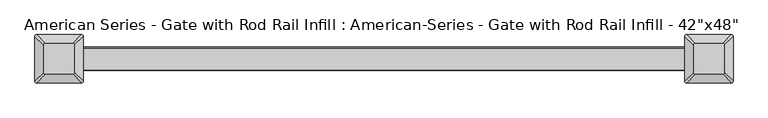
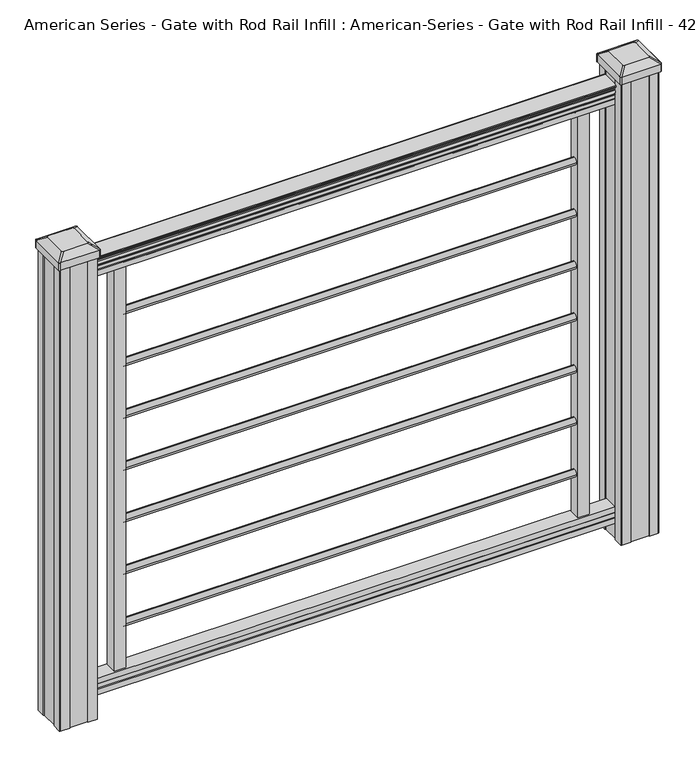
"""IFC4 building model written with IfcOpenShell, lengths in millimetres: proxy geometry."""

from ifc_helpers import new_model, si_unit, point, frame, frame_2d, origin, place, context, project, spatial, polyline, circle_curve, trimmed, segment, composite_curve, outline, extrude, source, transform, mapped, element, save
from ifc_brep_helpers import plane_surface, extruded_surface, advanced_brep


def proxy_a262df37(model_context):
    return source(origin(), model_context, "Body", "SolidModel", [
        extrude(outline(composite_curve([segment(trimmed(circle_curve(frame_2d((0.0, 1033.6488781)), 8.001), [point((8.001, 1033.6488781))], [point((0.0, 1025.6478781))], False, "CARTESIAN"), True, "CONTINUOUS"), segment(trimmed(circle_curve(frame_2d((0.0, 1033.6488781)), 8.001), [point((0.0, 1025.6478781))], [point((-8.001, 1033.6488781))], False, "CARTESIAN"), True, "CONTINUOUS"), segment(trimmed(circle_curve(frame_2d((0.0, 1033.6488781)), 8.001), [point((-8.001, 1033.6488781))], [point((0.0, 1041.6498781))], False, "CARTESIAN"), True, "CONTINUOUS"), segment(trimmed(circle_curve(frame_2d((0.0, 1033.6488781)), 8.001), [point((0.0, 1041.6498781))], [point((8.001, 1033.6488781))], False, "CARTESIAN"), True, "CONTINUOUS")], self_intersect=False)), frame((-490.728, 0.0, 0.0), z_axis=(1.0, 0.0, 0.0), x_axis=(0.0, 1.0, 0.0)), (0.0, 0.0, 1.0), 981.456),
        extrude(outline(composite_curve([segment(trimmed(circle_curve(frame_2d((0.0, 914.2688781)), 8.001), [point((8.001, 914.2688781))], [point((0.0, 906.2678781))], False, "CARTESIAN"), True, "CONTINUOUS"), segment(trimmed(circle_curve(frame_2d((0.0, 914.2688781)), 8.001), [point((0.0, 906.2678781))], [point((-8.001, 914.2688781))], False, "CARTESIAN"), True, "CONTINUOUS"), segment(trimmed(circle_curve(frame_2d((0.0, 914.2688781)), 8.001), [point((-8.001, 914.2688781))], [point((0.0, 922.2698781))], False, "CARTESIAN"), True, "CONTINUOUS"), segment(trimmed(circle_curve(frame_2d((0.0, 914.2688781)), 8.001), [point((0.0, 922.2698781))], [point((8.001, 914.2688781))], False, "CARTESIAN"), True, "CONTINUOUS")], self_intersect=False)), frame((-490.728, 0.0, 0.0), z_axis=(1.0, 0.0, 0.0), x_axis=(0.0, 1.0, 0.0)), (0.0, 0.0, 1.0), 981.456),
        extrude(outline(composite_curve([segment(trimmed(circle_curve(frame_2d((0.0, 794.8888781)), 8.001), [point((8.001, 794.8888781))], [point((0.0, 786.8878781))], False, "CARTESIAN"), True, "CONTINUOUS"), segment(trimmed(circle_curve(frame_2d((0.0, 794.8888781)), 8.001), [point((0.0, 786.8878781))], [point((-8.001, 794.8888781))], False, "CARTESIAN"), True, "CONTINUOUS"), segment(trimmed(circle_curve(frame_2d((0.0, 794.8888781)), 8.001), [point((-8.001, 794.8888781))], [point((0.0, 802.8898781))], False, "CARTESIAN"), True, "CONTINUOUS"), segment(trimmed(circle_curve(frame_2d((0.0, 794.8888781)), 8.001), [point((0.0, 802.8898781))], [point((8.001, 794.8888781))], False, "CARTESIAN"), True, "CONTINUOUS")], self_intersect=False)), frame((-490.728, 0.0, 0.0), z_axis=(1.0, 0.0, 0.0), x_axis=(0.0, 1.0, 0.0)), (0.0, 0.0, 1.0), 981.456),
        extrude(outline(composite_curve([segment(trimmed(circle_curve(frame_2d((0.0, 675.5088781)), 8.001), [point((8.001, 675.5088781))], [point((0.0, 667.5078781))], False, "CARTESIAN"), True, "CONTINUOUS"), segment(trimmed(circle_curve(frame_2d((0.0, 675.5088781)), 8.001), [point((0.0, 667.5078781))], [point((-8.001, 675.5088781))], False, "CARTESIAN"), True, "CONTINUOUS"), segment(trimmed(circle_curve(frame_2d((0.0, 675.5088781)), 8.001), [point((-8.001, 675.5088781))], [point((0.0, 683.5098781))], False, "CARTESIAN"), True, "CONTINUOUS"), segment(trimmed(circle_curve(frame_2d((0.0, 675.5088781)), 8.001), [point((0.0, 683.5098781))], [point((8.001, 675.5088781))], False, "CARTESIAN"), True, "CONTINUOUS")], self_intersect=False)), frame((-490.728, 0.0, 0.0), z_axis=(1.0, 0.0, 0.0), x_axis=(0.0, 1.0, 0.0)), (0.0, 0.0, 1.0), 981.456),
        extrude(outline(composite_curve([segment(trimmed(circle_curve(frame_2d((0.0, 556.1288781)), 8.001), [point((8.001, 556.1288781))], [point((0.0, 548.1278781))], False, "CARTESIAN"), True, "CONTINUOUS"), segment(trimmed(circle_curve(frame_2d((0.0, 556.1288781)), 8.001), [point((0.0, 548.1278781))], [point((-8.001, 556.1288781))], False, "CARTESIAN"), True, "CONTINUOUS"), segment(trimmed(circle_curve(frame_2d((0.0, 556.1288781)), 8.001), [point((-8.001, 556.1288781))], [point((0.0, 564.1298781))], False, "CARTESIAN"), True, "CONTINUOUS"), segment(trimmed(circle_curve(frame_2d((0.0, 556.1288781)), 8.001), [point((0.0, 564.1298781))], [point((8.001, 556.1288781))], False, "CARTESIAN"), True, "CONTINUOUS")], self_intersect=False)), frame((-490.728, 0.0, 0.0), z_axis=(1.0, 0.0, 0.0), x_axis=(0.0, 1.0, 0.0)), (0.0, 0.0, 1.0), 981.456),
        extrude(outline(composite_curve([segment(trimmed(circle_curve(frame_2d((0.0, 436.7488781)), 8.001), [point((8.001, 436.7488781))], [point((0.0, 428.7478781))], False, "CARTESIAN"), True, "CONTINUOUS"), segment(trimmed(circle_curve(frame_2d((0.0, 436.7488781)), 8.001), [point((0.0, 428.7478781))], [point((-8.001, 436.7488781))], False, "CARTESIAN"), True, "CONTINUOUS"), segment(trimmed(circle_curve(frame_2d((0.0, 436.7488781)), 8.001), [point((-8.001, 436.7488781))], [point((0.0, 444.7498781))], False, "CARTESIAN"), True, "CONTINUOUS"), segment(trimmed(circle_curve(frame_2d((0.0, 436.7488781)), 8.001), [point((0.0, 444.7498781))], [point((8.001, 436.7488781))], False, "CARTESIAN"), True, "CONTINUOUS")], self_intersect=False)), frame((-490.728, 0.0, 0.0), z_axis=(1.0, 0.0, 0.0), x_axis=(0.0, 1.0, 0.0)), (0.0, 0.0, 1.0), 981.456),
        extrude(outline(composite_curve([segment(trimmed(circle_curve(frame_2d((0.0, 317.3688781)), 8.001), [point((8.001, 317.3688781))], [point((0.0, 309.3678781))], False, "CARTESIAN"), True, "CONTINUOUS"), segment(trimmed(circle_curve(frame_2d((0.0, 317.3688781)), 8.001), [point((0.0, 309.3678781))], [point((-8.001, 317.3688781))], False, "CARTESIAN"), True, "CONTINUOUS"), segment(trimmed(circle_curve(frame_2d((0.0, 317.3688781)), 8.001), [point((-8.001, 317.3688781))], [point((0.0, 325.3698781))], False, "CARTESIAN"), True, "CONTINUOUS"), segment(trimmed(circle_curve(frame_2d((0.0, 317.3688781)), 8.001), [point((0.0, 325.3698781))], [point((8.001, 317.3688781))], False, "CARTESIAN"), True, "CONTINUOUS")], self_intersect=False)), frame((-490.728, 0.0, 0.0), z_axis=(1.0, 0.0, 0.0), x_axis=(0.0, 1.0, 0.0)), (0.0, 0.0, 1.0), 981.456),
        extrude(outline(polyline([(-15.9124869, 76.0541976), (-14.8964869, 77.3546183), (-14.8964869, 87.7141717), (-15.9124869, 89.0624492), (-15.9124869, 101.5958781), (15.8375131, 101.5958781), (15.8375131, 89.0458024), (14.8215131, 87.6975248), (14.8215131, 77.3858283), (15.8375131, 76.0375508), (15.8375131, 63.5), (-15.9124869, 63.5), (-15.9124869, 76.0541976)])), frame((-569.976, 0.0, 0.0), z_axis=(1.0, 0.0, 0.0), x_axis=(0.0, 1.0, 0.0)), (0.0, 0.0, 1.0), 1139.952),
        extrude(outline(composite_curve([segment(polyline([(1049.782, 17.4328287), (1051.6700823, 17.4328287)]), True, "CONTINUOUS"), segment(trimmed(circle_curve(frame_2d((1057.4283086, 11.1180755)), 8.545951), [point((1051.6700823, 17.4328287))], [point((1053.2323398, 18.563015))], False, "CARTESIAN"), True, "CONTINUOUS"), segment(trimmed(circle_curve(frame_2d((1056.841328, 11.5551384)), 7.882584), [point((1053.2323398, 18.563015))], [point((1060.4503161, 18.563015))], False, "CARTESIAN"), True, "CONTINUOUS"), segment(trimmed(circle_curve(frame_2d((1062.688923, 22.0684625)), 4.1592695), [point((1060.4503161, 18.563015))], [point((1062.8837515, 17.9137586))], True, "CARTESIAN"), True, "CONTINUOUS"), segment(trimmed(circle_curve(frame_2d((1062.6285567, 23.3557691)), 5.4479907), [point((1062.8837515, 17.9137586))], [point((1067.2138786, 20.4137586))], True, "CARTESIAN"), True, "CONTINUOUS"), segment(trimmed(circle_curve(frame_2d((1067.2110653, 22.1226107)), 1.7088543), [point((1067.2138786, 20.4137586))], [point((1068.8934675, 21.8231011))], True, "CARTESIAN"), True, "CONTINUOUS"), segment(trimmed(circle_curve(frame_2d((1069.9982021, 20.5057106)), 1.7192895), [point((1068.8934675, 21.8231011))], [point((1069.9982021, 22.2250001))], False, "CARTESIAN"), True, "CONTINUOUS"), segment(polyline([(1069.9982021, 22.2250001), (1071.3384861, 22.225)]), True, "CONTINUOUS"), segment(trimmed(circle_curve(frame_2d((1071.3384861, 20.6715528)), 1.5534472), [point((1071.3384861, 22.225))], [point((1072.8919333, 20.6715528))], False, "CARTESIAN"), True, "CONTINUOUS"), segment(polyline([(1072.8919333, 20.6715528), (1072.8919333, -20.6715528)]), True, "CONTINUOUS"), segment(trimmed(circle_curve(frame_2d((1071.3384861, -20.6715528)), 1.5534472), [point((1072.8919333, -20.6715528))], [point((1071.3384861, -22.225))], False, "CARTESIAN"), True, "CONTINUOUS"), segment(polyline([(1071.3384861, -22.225), (1069.9982021, -22.225)]), True, "CONTINUOUS"), segment(trimmed(circle_curve(frame_2d((1069.9982021, -20.5057106)), 1.7192895), [point((1069.9982021, -22.225))], [point((1068.8934675, -21.8231011))], False, "CARTESIAN"), True, "CONTINUOUS"), segment(trimmed(circle_curve(frame_2d((1067.2110653, -22.1226107)), 1.7088543), [point((1068.8934675, -21.8231011))], [point((1067.2138786, -20.4137586))], True, "CARTESIAN"), True, "CONTINUOUS"), segment(trimmed(circle_curve(frame_2d((1062.6285567, -23.3557691)), 5.4479907), [point((1067.2138786, -20.4137586))], [point((1062.8837515, -17.9137586))], True, "CARTESIAN"), True, "CONTINUOUS"), segment(trimmed(circle_curve(frame_2d((1062.688923, -22.0684625)), 4.1592695), [point((1062.8837515, -17.9137586))], [point((1060.4503161, -18.563015))], True, "CARTESIAN"), True, "CONTINUOUS"), segment(trimmed(circle_curve(frame_2d((1056.841328, -11.5551384)), 7.882584), [point((1060.4503161, -18.563015))], [point((1053.2323398, -18.563015))], False, "CARTESIAN"), True, "CONTINUOUS"), segment(trimmed(circle_curve(frame_2d((1057.4283086, -11.1180755)), 8.545951), [point((1053.2323398, -18.563015))], [point((1051.6700823, -17.4328287))], False, "CARTESIAN"), True, "CONTINUOUS"), segment(polyline([(1051.6700823, -17.4328287), (1049.782, -17.4328287)]), True, "CONTINUOUS"), segment(trimmed(circle_curve(frame_2d((1049.782, -16.1459144)), 1.2869144), [point((1049.782, -17.4328287))], [point((1049.782, -14.859))], False, "CARTESIAN"), True, "CONTINUOUS"), segment(polyline([(1049.782, -14.859), (1039.2824987, -14.859), (1038.2664987, -15.875), (1025.7776703, -15.875), (1025.7776703, 15.875), (1038.1086833, 15.875), (1039.1246833, 14.859), (1049.782, 14.859)]), True, "CONTINUOUS"), segment(trimmed(circle_curve(frame_2d((1049.782, 16.1459144)), 1.2869144), [point((1049.782, 14.859))], [point((1049.782, 17.4328287))], False, "CARTESIAN"), True, "CONTINUOUS")], self_intersect=False)), frame((569.976, 0.0, 0.0), z_axis=(-1.0, 0.0, 0.0), x_axis=(0.0, 0.0, 1.0)), (0.0, 0.0, 1.0), 1139.952),
        extrude(outline(composite_curve([segment(trimmed(circle_curve(frame_2d((0.0, 197.9888781)), 8.001), [point((8.001, 197.9888781))], [point((0.0, 189.9878781))], False, "CARTESIAN"), True, "CONTINUOUS"), segment(trimmed(circle_curve(frame_2d((0.0, 197.9888781)), 8.001), [point((0.0, 189.9878781))], [point((-8.001, 197.9888781))], False, "CARTESIAN"), True, "CONTINUOUS"), segment(trimmed(circle_curve(frame_2d((0.0, 197.9888781)), 8.001), [point((-8.001, 197.9888781))], [point((0.0, 205.9898781))], False, "CARTESIAN"), True, "CONTINUOUS"), segment(trimmed(circle_curve(frame_2d((0.0, 197.9888781)), 8.001), [point((0.0, 205.9898781))], [point((8.001, 197.9888781))], False, "CARTESIAN"), True, "CONTINUOUS")], self_intersect=False)), frame((-490.728, 0.0, 0.0), z_axis=(1.0, 0.0, 0.0), x_axis=(0.0, 1.0, 0.0)), (0.0, 0.0, 1.0), 981.456),
        advanced_brep(
        [(583.803125, 28.971875, 1118.235), (580.628125, 25.796875, 1118.235), (580.628125, -25.796875, 1118.235), (583.803125, -28.971875, 1118.235), (635.396875, -28.971875, 1118.235), (638.571875, -25.796875, 1118.235), (638.571875, 25.796875, 1118.235), (635.396875, 28.971875, 1118.235), (567.53125, 45.24375, 1106.932), (651.66875, 45.24375, 1106.932), (654.84375, 42.06875, 1106.932), (654.84375, -42.06875, 1106.932), (651.66875, -45.24375, 1106.932), (567.53125, -45.24375, 1106.932), (564.35625, -42.06875, 1106.932), (564.35625, 42.06875, 1106.932)],
        [
            (0, 1, circle_curve(frame((583.803125, 25.796875, 1118.235), z_axis=(0.0, 0.0, 1.0), x_axis=(0.0, -1.0, 0.0)), 3.175)),
            (1, 2),
            (2, 3, circle_curve(frame((583.803125, -25.796875, 1118.235), z_axis=(0.0, 0.0, 1.0), x_axis=(0.0, -1.0, 0.0)), 3.175)),
            (3, 4),
            (4, 5, circle_curve(frame((635.396875, -25.796875, 1118.235), z_axis=(0.0, 0.0, 1.0), x_axis=(0.0, -1.0, 0.0)), 3.175)),
            (5, 6),
            (6, 7, circle_curve(frame((635.396875, 25.796875, 1118.235), z_axis=(0.0, 0.0, 1.0), x_axis=(0.0, -1.0, 0.0)), 3.175)),
            (7, 0),
            (8, 9),
            (9, 10, circle_curve(frame((651.66875, 42.06875, 1106.932), z_axis=(0.0, 0.0, -1.0), x_axis=(0.0, -1.0, 0.0)), 3.175)),
            (10, 11),
            (11, 12, circle_curve(frame((651.66875, -42.06875, 1106.932), z_axis=(0.0, 0.0, -1.0), x_axis=(0.0, -1.0, 0.0)), 3.175)),
            (12, 13),
            (13, 14, circle_curve(frame((567.53125, -42.06875, 1106.932), z_axis=(0.0, 0.0, -1.0), x_axis=(0.0, -1.0, 0.0)), 3.175)),
            (14, 15),
            (15, 8, circle_curve(frame((567.53125, 42.06875, 1106.932), z_axis=(0.0, 0.0, -1.0), x_axis=(0.0, -1.0, 0.0)), 3.175)),
            (15, 1),
            (0, 8),
            (14, 2),
            (13, 3),
            (12, 4),
            (11, 5),
            (10, 6),
            (9, 7),
        ],
        [
            plane_surface(frame((609.6, 0.0, 1118.235), z_axis=(0.0, 0.0, 1.0), x_axis=(-1.0, 0.0, 0.0))),
            plane_surface(frame((609.6, 0.0, 1106.932), z_axis=(0.0, 0.0, -1.0), x_axis=(-1.0, 0.0, 0.0))),
            extruded_surface(trimmed(circle_curve(frame((567.53125, 42.06875, 1106.932), z_axis=(0.0, 0.0, 1.0), x_axis=(0.0, -1.0, 0.0)), 3.175), [point((567.53125, 45.24375, 1106.932))], [point((564.35625, 42.06875, 1106.932))], True, "CARTESIAN"), (16.271875000000023, -16.271875, 11.302999999999884), 25.637972638866128),
            plane_surface(frame((564.35625, 0.0, 1106.932), z_axis=(-0.5705009161540778, 0.0, 0.8212969649690408), x_axis=(0.0, -1.0, 0.0))),
            extruded_surface(trimmed(circle_curve(frame((567.53125, -42.06875, 1106.932), z_axis=(0.0, 0.0, 1.0), x_axis=(0.0, -1.0, 0.0)), 3.175), [point((564.35625, -42.06875, 1106.932))], [point((567.53125, -45.24375, 1106.932))], True, "CARTESIAN"), (16.271875000000023, 16.271875, 11.302999999999884), 25.637972638866128),
            plane_surface(frame((609.6, -45.24375, 1106.932), z_axis=(0.0, -0.5705009161540291, 0.8212969649690747), x_axis=(1.0, 0.0, 0.0))),
            extruded_surface(trimmed(circle_curve(frame((651.66875, -42.06875, 1106.932), z_axis=(0.0, 0.0, 1.0), x_axis=(0.0, -1.0, 0.0)), 3.175), [point((651.66875, -45.24375, 1106.932))], [point((654.84375, -42.06875, 1106.932))], True, "CARTESIAN"), (-16.271875000000023, 16.271875, 11.302999999999884), 25.637972638866128),
            plane_surface(frame((654.84375, 0.0, 1106.932), z_axis=(0.5705009161540142, 0.0, 0.8212969649690851), x_axis=(0.0, 1.0, 0.0))),
            extruded_surface(trimmed(circle_curve(frame((651.66875, 42.06875, 1106.932), z_axis=(0.0, 0.0, 1.0), x_axis=(0.0, -1.0, 0.0)), 3.175), [point((654.84375, 42.06875, 1106.932))], [point((651.66875, 45.24375, 1106.932))], True, "CARTESIAN"), (-16.271875000000023, -16.271875, 11.302999999999884), 25.637972638866128),
            plane_surface(frame((609.6, 45.24375, 1106.932), z_axis=(0.0, 0.570500916154034, 0.8212969649690713), x_axis=(-1.0, 0.0, 0.0))),
        ],
        [
            (0, [[1, 2, 3, 4, 5, 6, 7, 8]]),
            (1, [[9, 10, 11, 12, 13, 14, 15, 16]]),
            (2, [[-16, 17, -1, 18]]),
            (3, [[-15, 19, -2, -17]]),
            (4, [[-14, 20, -3, -19]]),
            (5, [[-13, 21, -4, -20]]),
            (6, [[-12, 22, -5, -21]]),
            (7, [[-11, 23, -6, -22]]),
            (8, [[-10, 24, -7, -23]]),
            (9, [[-9, -18, -8, -24]]),
        ],
    ),
        extrude(outline(composite_curve([segment(polyline([(567.53125, 45.24375), (651.66875, 45.24375)]), True, "CONTINUOUS"), segment(trimmed(circle_curve(frame_2d((651.66875, 42.06875)), 3.175), [point((651.66875, 45.24375))], [point((654.84375, 42.06875))], False, "CARTESIAN"), True, "CONTINUOUS"), segment(polyline([(654.84375, 42.06875), (654.84375, -42.06875)]), True, "CONTINUOUS"), segment(trimmed(circle_curve(frame_2d((651.66875, -42.06875)), 3.175), [point((654.84375, -42.06875))], [point((651.66875, -45.24375))], False, "CARTESIAN"), True, "CONTINUOUS"), segment(polyline([(651.66875, -45.24375), (567.53125, -45.24375)]), True, "CONTINUOUS"), segment(trimmed(circle_curve(frame_2d((567.53125, -42.06875)), 3.175), [point((567.53125, -45.24375))], [point((564.35625, -42.06875))], False, "CARTESIAN"), True, "CONTINUOUS"), segment(polyline([(564.35625, -42.06875), (564.35625, 42.06875)]), True, "CONTINUOUS"), segment(trimmed(circle_curve(frame_2d((567.53125, 42.06875)), 3.175), [point((564.35625, 42.06875))], [point((567.53125, 45.24375))], False, "CARTESIAN"), True, "CONTINUOUS")], self_intersect=False)), frame((0.0, 0.0, 1089.66), z_axis=(0.0, 0.0, 1.0), x_axis=(1.0, 0.0, 0.0)), (0.0, 0.0, 1.0), 17.272),
        extrude(outline(polyline([(569.9125, 41.275), (589.534, 41.275), (590.296, 39.6875), (628.904, 39.6875), (629.666, 41.275), (649.2875, 41.275), (650.875, 39.6875), (650.875, 20.066), (649.2875, 19.304), (649.2875, -19.304), (650.875, -20.066), (650.875, -39.6875), (649.2875, -41.275), (629.666, -41.275), (628.904, -39.6875), (590.296, -39.6875), (589.534, -41.275), (569.9125, -41.275), (568.325, -39.6875), (568.325, -20.066), (569.9125, -19.304), (569.9125, 19.304), (568.325, 20.066), (568.325, 39.6875), (569.9125, 41.275)])), frame((0.0, 0.0, 28.575), z_axis=(0.0, 0.0, 1.0), x_axis=(1.0, 0.0, 0.0)), (0.0, 0.0, 1.0), 1061.085),
        advanced_brep(
        [(-635.396875, 28.971875, 1118.235), (-638.571875, 25.796875, 1118.235), (-638.571875, -25.796875, 1118.235), (-635.396875, -28.971875, 1118.235), (-583.803125, -28.971875, 1118.235), (-580.628125, -25.796875, 1118.235), (-580.628125, 25.796875, 1118.235), (-583.803125, 28.971875, 1118.235), (-651.66875, 45.24375, 1106.932), (-567.53125, 45.24375, 1106.932), (-564.35625, 42.06875, 1106.932), (-564.35625, -42.06875, 1106.932), (-567.53125, -45.24375, 1106.932), (-651.66875, -45.24375, 1106.932), (-654.84375, -42.06875, 1106.932), (-654.84375, 42.06875, 1106.932)],
        [
            (0, 1, circle_curve(frame((-635.396875, 25.796875, 1118.235), z_axis=(0.0, 0.0, 1.0), x_axis=(0.0, -1.0, 0.0)), 3.175)),
            (1, 2),
            (2, 3, circle_curve(frame((-635.396875, -25.796875, 1118.235), z_axis=(0.0, 0.0, 1.0), x_axis=(0.0, -1.0, 0.0)), 3.175)),
            (3, 4),
            (4, 5, circle_curve(frame((-583.803125, -25.796875, 1118.235), z_axis=(0.0, 0.0, 1.0), x_axis=(0.0, -1.0, 0.0)), 3.175)),
            (5, 6),
            (6, 7, circle_curve(frame((-583.803125, 25.796875, 1118.235), z_axis=(0.0, 0.0, 1.0), x_axis=(0.0, -1.0, 0.0)), 3.175)),
            (7, 0),
            (8, 9),
            (9, 10, circle_curve(frame((-567.53125, 42.06875, 1106.932), z_axis=(0.0, 0.0, -1.0), x_axis=(0.0, -1.0, 0.0)), 3.175)),
            (10, 11),
            (11, 12, circle_curve(frame((-567.53125, -42.06875, 1106.932), z_axis=(0.0, 0.0, -1.0), x_axis=(0.0, -1.0, 0.0)), 3.175)),
            (12, 13),
            (13, 14, circle_curve(frame((-651.66875, -42.06875, 1106.932), z_axis=(0.0, 0.0, -1.0), x_axis=(0.0, -1.0, 0.0)), 3.175)),
            (14, 15),
            (15, 8, circle_curve(frame((-651.66875, 42.06875, 1106.932), z_axis=(0.0, 0.0, -1.0), x_axis=(0.0, -1.0, 0.0)), 3.175)),
            (15, 1),
            (0, 8),
            (14, 2),
            (13, 3),
            (12, 4),
            (11, 5),
            (10, 6),
            (9, 7),
        ],
        [
            plane_surface(frame((-609.6, 0.0, 1118.235), z_axis=(0.0, 0.0, 1.0), x_axis=(-1.0, 0.0, 0.0))),
            plane_surface(frame((-609.6, 0.0, 1106.932), z_axis=(0.0, 0.0, -1.0), x_axis=(-1.0, 0.0, 0.0))),
            extruded_surface(trimmed(circle_curve(frame((-651.66875, 42.06875, 1106.932), z_axis=(0.0, 0.0, 1.0), x_axis=(0.0, -1.0, 0.0)), 3.175), [point((-651.66875, 45.24375, 1106.932))], [point((-654.84375, 42.06875, 1106.932))], True, "CARTESIAN"), (16.271875000000023, -16.271875, 11.302999999999884), 25.637972638866128),
            plane_surface(frame((-654.84375, 0.0, 1106.932), z_axis=(-0.5705009161540778, 0.0, 0.8212969649690408), x_axis=(0.0, -1.0, 0.0))),
            extruded_surface(trimmed(circle_curve(frame((-651.66875, -42.06875, 1106.932), z_axis=(0.0, 0.0, 1.0), x_axis=(0.0, -1.0, 0.0)), 3.175), [point((-654.84375, -42.06875, 1106.932))], [point((-651.66875, -45.24375, 1106.932))], True, "CARTESIAN"), (16.271875000000023, 16.271875, 11.302999999999884), 25.637972638866128),
            plane_surface(frame((-609.6, -45.24375, 1106.932), z_axis=(0.0, -0.5705009161540291, 0.8212969649690747), x_axis=(1.0, 0.0, 0.0))),
            extruded_surface(trimmed(circle_curve(frame((-567.53125, -42.06875, 1106.932), z_axis=(0.0, 0.0, 1.0), x_axis=(0.0, -1.0, 0.0)), 3.175), [point((-567.53125, -45.24375, 1106.932))], [point((-564.35625, -42.06875, 1106.932))], True, "CARTESIAN"), (-16.271875000000023, 16.271875, 11.302999999999884), 25.637972638866128),
            plane_surface(frame((-564.35625, 0.0, 1106.932), z_axis=(0.5705009161540142, 0.0, 0.8212969649690851), x_axis=(0.0, 1.0, 0.0))),
            extruded_surface(trimmed(circle_curve(frame((-567.53125, 42.06875, 1106.932), z_axis=(0.0, 0.0, 1.0), x_axis=(0.0, -1.0, 0.0)), 3.175), [point((-564.35625, 42.06875, 1106.932))], [point((-567.53125, 45.24375, 1106.932))], True, "CARTESIAN"), (-16.271875000000023, -16.271875, 11.302999999999884), 25.637972638866128),
            plane_surface(frame((-609.6, 45.24375, 1106.932), z_axis=(0.0, 0.570500916154034, 0.8212969649690713), x_axis=(-1.0, 0.0, 0.0))),
        ],
        [
            (0, [[1, 2, 3, 4, 5, 6, 7, 8]]),
            (1, [[9, 10, 11, 12, 13, 14, 15, 16]]),
            (2, [[-16, 17, -1, 18]]),
            (3, [[-15, 19, -2, -17]]),
            (4, [[-14, 20, -3, -19]]),
            (5, [[-13, 21, -4, -20]]),
            (6, [[-12, 22, -5, -21]]),
            (7, [[-11, 23, -6, -22]]),
            (8, [[-10, 24, -7, -23]]),
            (9, [[-9, -18, -8, -24]]),
        ],
    ),
        extrude(outline(composite_curve([segment(polyline([(-651.66875, 45.24375), (-567.53125, 45.24375)]), True, "CONTINUOUS"), segment(trimmed(circle_curve(frame_2d((-567.53125, 42.06875)), 3.175), [point((-567.53125, 45.24375))], [point((-564.35625, 42.06875))], False, "CARTESIAN"), True, "CONTINUOUS"), segment(polyline([(-564.35625, 42.06875), (-564.35625, -42.06875)]), True, "CONTINUOUS"), segment(trimmed(circle_curve(frame_2d((-567.53125, -42.06875)), 3.175), [point((-564.35625, -42.06875))], [point((-567.53125, -45.24375))], False, "CARTESIAN"), True, "CONTINUOUS"), segment(polyline([(-567.53125, -45.24375), (-651.66875, -45.24375)]), True, "CONTINUOUS"), segment(trimmed(circle_curve(frame_2d((-651.66875, -42.06875)), 3.175), [point((-651.66875, -45.24375))], [point((-654.84375, -42.06875))], False, "CARTESIAN"), True, "CONTINUOUS"), segment(polyline([(-654.84375, -42.06875), (-654.84375, 42.06875)]), True, "CONTINUOUS"), segment(trimmed(circle_curve(frame_2d((-651.66875, 42.06875)), 3.175), [point((-654.84375, 42.06875))], [point((-651.66875, 45.24375))], False, "CARTESIAN"), True, "CONTINUOUS")], self_intersect=False)), frame((0.0, 0.0, 1089.66), z_axis=(0.0, 0.0, 1.0), x_axis=(1.0, 0.0, 0.0)), (0.0, 0.0, 1.0), 17.272),
        extrude(outline(polyline([(-649.2875, 41.275), (-629.666, 41.275), (-628.904, 39.6875), (-590.296, 39.6875), (-589.534, 41.275), (-569.9125, 41.275), (-568.325, 39.6875), (-568.325, 20.066), (-569.9125, 19.304), (-569.9125, -19.304), (-568.325, -20.066), (-568.325, -39.6875), (-569.9125, -41.275), (-589.534, -41.275), (-590.296, -39.6875), (-628.904, -39.6875), (-629.666, -41.275), (-649.2875, -41.275), (-650.875, -39.6875), (-650.875, -20.066), (-649.2875, -19.304), (-649.2875, 19.304), (-650.875, 20.066), (-650.875, 39.6875), (-649.2875, 41.275)])), frame((0.0, 0.0, 28.575), z_axis=(0.0, 0.0, 1.0), x_axis=(1.0, 0.0, 0.0)), (0.0, 0.0, 1.0), 1061.085),
        extrude(outline(polyline([(516.128, -12.7), (490.728, -12.7), (490.728, 12.7), (516.128, 12.7), (516.128, -12.7)])), frame((0.0, 0.0, 101.6), z_axis=(0.0, 0.0, 1.0), x_axis=(1.0, 0.0, 0.0)), (0.0, 0.0, 1.0), 950.0700823),
        extrude(outline(polyline([(-490.728, -12.7), (-516.128, -12.7), (-516.128, 12.7), (-490.728, 12.7), (-490.728, -12.7)])), frame((0.0, 0.0, 101.6), z_axis=(0.0, 0.0, 1.0), x_axis=(1.0, 0.0, 0.0)), (0.0, 0.0, 1.0), 951.6323398),
    ])


if __name__ == "__main__":
    model = new_model("IFC4")
    model_context = context("Model", 3, world=origin())
    ifc_project = project(units=[si_unit("LENGTHUNIT", "METRE", prefix="MILLI")], contexts=[model_context])
    site = spatial("IfcSite", under=ifc_project)
    building = spatial("IfcBuilding", under=site)
    placement = place(None, origin())
    proxy_shape = proxy_a262df37(model_context)
    element("IfcBuildingElementProxy", 1, Name="American Series - Gate with Rod Rail Infill : American-Series - Gate with Rod Rail Infill - 42\"x48\"", ObjectType="American Series - Gate with Rod Rail Infill : American-Series - Gate with Rod Rail Infill - 42\"x48\"", at=placement, inside=building, context=model_context, shape_type="MappedRepresentation", body=[
        mapped(proxy_shape, transform((0.0, 0.0, 0.0), x_axis=(1.0, 0.0, 0.0), y_axis=(0.0, 1.0, 0.0), z_axis=(0.0, 0.0, 1.0))),
    ])
    save(model, "model.ifc")
